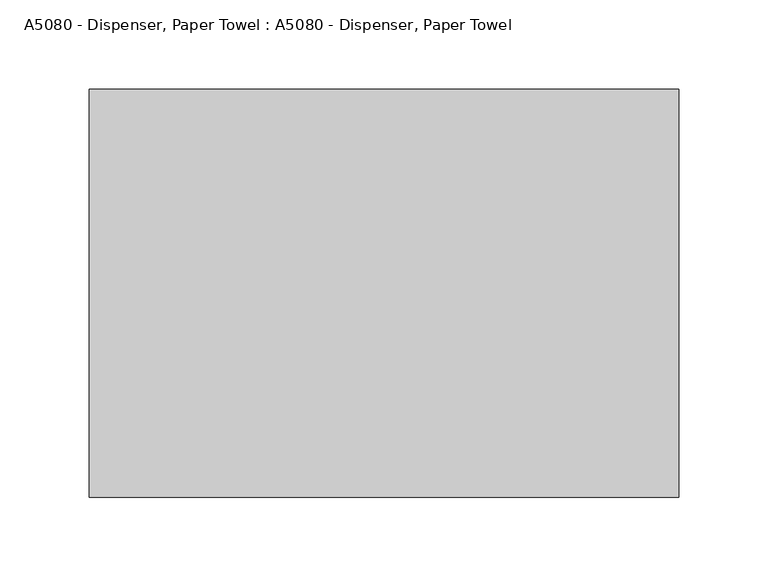
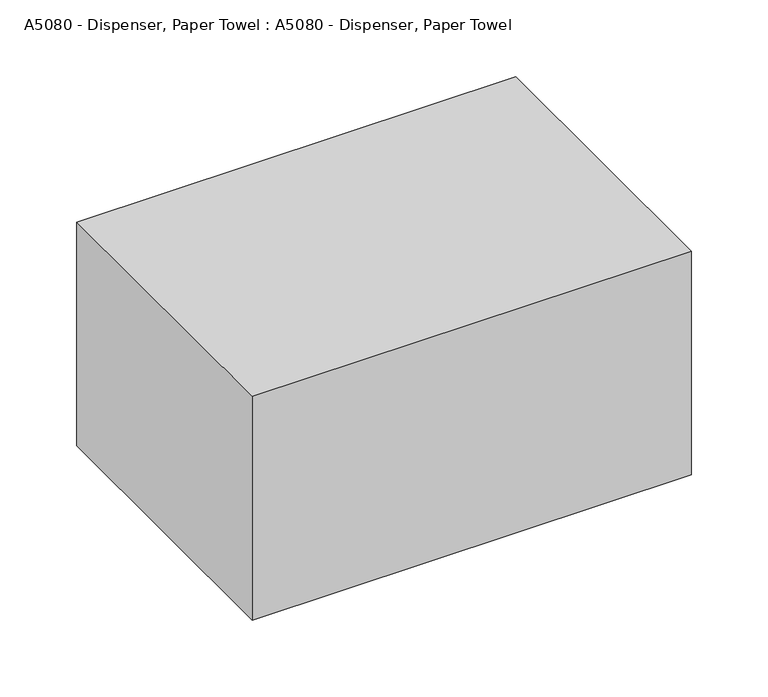
"""IFC4 building model written with IfcOpenShell, lengths in millimetres: proxy geometry, A5080 - Dispenser, Paper Towel : A5080 - Dispenser, Paper Towel."""

from ifc_helpers import new_model, si_unit, origin, origin_with_axes, place, context, project, spatial, polyline, outline, extrude, source, transform, mapped, element, save


def a5080_dispenser_paper_towel_a5080_dispenser_paper_towel_61bbfe70(model_context):
    return source(origin(), model_context, "Body", "SweptSolid", [
        extrude(outline(polyline([(165.1, 228.6), (165.1, 0.0), (-165.1, 0.0), (-165.1, 228.6), (165.1, 228.6)])), origin_with_axes(), (0.0, 0.0, 1.0), 177.8),
        extrude(outline(polyline([(-165.1, 228.6), (165.1, 228.6), (165.1, 0.0), (-165.1, 0.0), (-165.1, 228.6)])), origin_with_axes(), (0.0, 0.0, 1.0), 177.8),
    ])


if __name__ == "__main__":
    model = new_model("IFC4")
    model_context = context("Model", 3, world=origin())
    ifc_project = project(units=[si_unit("LENGTHUNIT", "METRE", prefix="MILLI")], contexts=[model_context])
    site = spatial("IfcSite", under=ifc_project)
    building = spatial("IfcBuilding", under=site)
    placement = place(None, origin())
    a5080_dispenser_paper_towel_a5080_dispenser_paper_towel_shape = a5080_dispenser_paper_towel_a5080_dispenser_paper_towel_61bbfe70(model_context)
    element("IfcBuildingElementProxy", 1, Name="A5080 - Dispenser, Paper Towel : A5080 - Dispenser, Paper Towel", ObjectType="A5080 - Dispenser, Paper Towel : A5080 - Dispenser, Paper Towel", at=placement, inside=building, context=model_context, shape_type="MappedRepresentation", body=[
        mapped(a5080_dispenser_paper_towel_a5080_dispenser_paper_towel_shape, transform((0.0, 0.0, 0.0), x_axis=(1.0, 0.0, 0.0), y_axis=(0.0, 1.0, 0.0), z_axis=(0.0, 0.0, 1.0))),
    ])
    save(model, "model.ifc")
